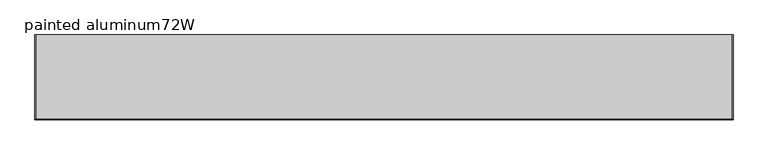
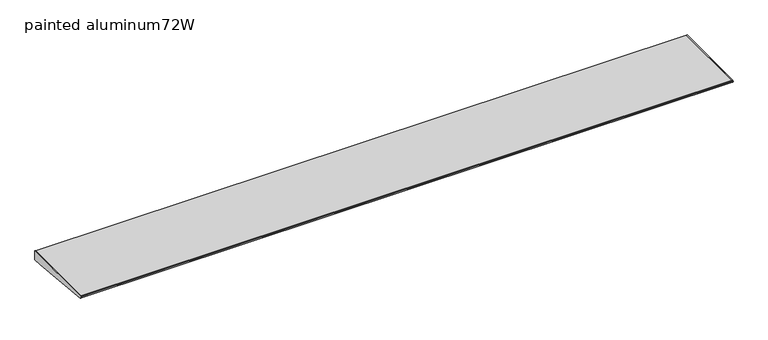
"""IFC4 building model written with IfcOpenShell, lengths in millimetres: furniture geometry, painted aluminum72W."""

from ifc_helpers import new_model, si_unit, frame, origin, place, context, project, spatial, polyline, outline, extrude, source, transform, mapped, element, save


def painted_aluminum72w_93158be0(model_context):
    return source(origin(), model_context, "Body", "SweptSolid", [
        extrude(outline(polyline([(-222.022331, 1166.3236755), (-220.8911683, 1167.7880929), (-218.9431893, 1168.4), (0.0, 1168.4), (0.0, 1143.0), (-25.3684852, 1143.0), (-219.3540346, 1162.0652236), (-221.1050905, 1162.810368), (-222.1155121, 1164.4229581), (-222.022331, 1166.3236755)])), frame((1824.2279999, 0.0, 0.0), z_axis=(1.0, 0.0, 0.0), x_axis=(0.0, 1.0, 0.0)), (0.0, 0.0, 1.0), 2.032),
        extrude(outline(polyline([(-222.022331, 1166.3236755), (-220.8911683, 1167.7880929), (-218.9431893, 1168.4), (0.0, 1168.4), (0.0, 1143.0), (-25.3684852, 1143.0), (-219.3540346, 1162.0652236), (-221.1050905, 1162.810368), (-222.1155121, 1164.4229581), (-222.022331, 1166.3236755)])), frame((2.5400001, 0.0, 0.0), z_axis=(1.0, 0.0, 0.0), x_axis=(0.0, 1.0, 0.0)), (0.0, 0.0, 1.0), 2.032),
        extrude(outline(polyline([(0.0, 1168.4), (0.0, 1143.0), (-25.3684852, 1143.0), (-219.3540346, 1162.0652236), (-221.1050905, 1162.810368), (-222.1155121, 1164.4229581), (-222.022331, 1166.3236755), (-220.8911683, 1167.7880929), (-218.9431893, 1168.4), (0.0, 1168.4)])), frame((4.5720001, 0.0, 0.0), z_axis=(1.0, 0.0, 0.0), x_axis=(0.0, 1.0, 0.0)), (0.0, 0.0, 1.0), 1819.6559997),
    ])


if __name__ == "__main__":
    model = new_model("IFC4")
    model_context = context("Model", 3, world=origin())
    ifc_project = project(units=[si_unit("LENGTHUNIT", "METRE", prefix="MILLI")], contexts=[model_context])
    site = spatial("IfcSite", under=ifc_project)
    building = spatial("IfcBuilding", under=site)
    placement = place(None, origin())
    painted_aluminum72w_shape = painted_aluminum72w_93158be0(model_context)
    element("IfcFurniture", 1, ObjectType="painted aluminum72W", at=placement, inside=building, context=model_context, shape_type="MappedRepresentation", body=[
        mapped(painted_aluminum72w_shape, transform((0.0, 0.0, 0.0), x_axis=(1.0, 0.0, 0.0), y_axis=(0.0, 1.0, 0.0), z_axis=(0.0, 0.0, 1.0))),
    ])
    save(model, "model.ifc")
